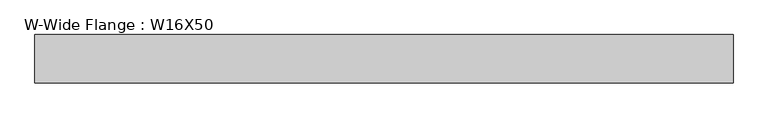
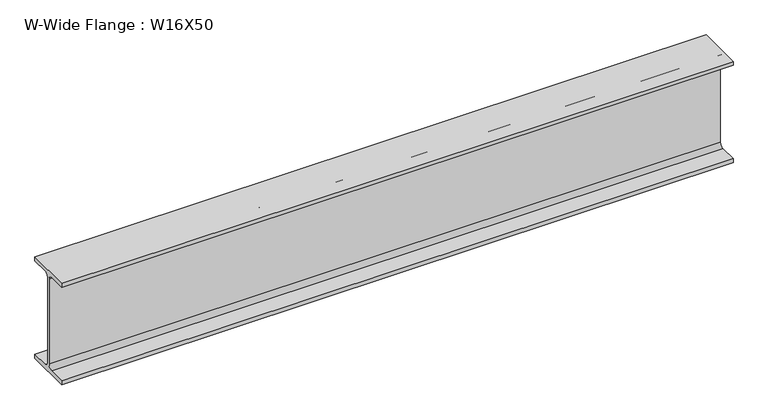
"""IFC4 building model written with IfcOpenShell, lengths in millimetres: beam geometry, W-Wide Flange : W16X50."""

from ifc_helpers import new_model, si_unit, point, frame, frame_2d, origin, place, context, project, spatial, polyline, circle_curve, trimmed, segment, composite_curve, outline, extrude, source, transform, mapped, element, save


def w_wide_flange_w16x50_7901a892(model_context):
    return source(origin(), model_context, "Body", "SweptSolid", [
        extrude(outline(composite_curve([segment(polyline([(89.8, -191.0), (89.8, -207.0), (-89.8, -207.0), (-89.8, -191.0), (-22.15, -191.0)]), True, "CONTINUOUS"), segment(trimmed(circle_curve(frame_2d((-22.15, -173.7)), 17.3), [point((-22.15, -191.0))], [point((-4.85, -173.7))], True, "CARTESIAN"), True, "CONTINUOUS"), segment(polyline([(-4.85, -173.7), (-4.85, 173.7)]), True, "CONTINUOUS"), segment(trimmed(circle_curve(frame_2d((-22.15, 173.7)), 17.3), [point((-4.85, 173.7))], [point((-22.15, 191.0))], True, "CARTESIAN"), True, "CONTINUOUS"), segment(polyline([(-22.15, 191.0), (-89.8, 191.0), (-89.8, 207.0), (89.8, 207.0), (89.8, 191.0), (22.15, 191.0)]), True, "CONTINUOUS"), segment(trimmed(circle_curve(frame_2d((22.15, 173.7)), 17.3), [point((22.15, 191.0))], [point((4.85, 173.7))], True, "CARTESIAN"), True, "CONTINUOUS"), segment(polyline([(4.85, 173.7), (4.85, -173.7)]), True, "CONTINUOUS"), segment(trimmed(circle_curve(frame_2d((22.15, -173.7)), 17.3), [point((4.85, -173.7))], [point((22.15, -191.0))], True, "CARTESIAN"), True, "CONTINUOUS"), segment(polyline([(22.15, -191.0), (89.8, -191.0)]), True, "CONTINUOUS")], self_intersect=False)), frame((-1323.7442396, 0.0, 0.0), z_axis=(1.0, 0.0, 0.0), x_axis=(0.0, 1.0, 0.0)), (0.0, 0.0, 1.0), 2594.2407203),
    ])


if __name__ == "__main__":
    model = new_model("IFC4")
    model_context = context("Model", 3, world=origin())
    ifc_project = project(units=[si_unit("LENGTHUNIT", "METRE", prefix="MILLI")], contexts=[model_context])
    site = spatial("IfcSite", under=ifc_project)
    building = spatial("IfcBuilding", under=site)
    placement = place(None, origin())
    w_wide_flange_w16x50_shape = w_wide_flange_w16x50_7901a892(model_context)
    element("IfcBeam", 1, ObjectType="W-Wide Flange : W16X50", at=placement, inside=building, context=model_context, shape_type="MappedRepresentation", body=[
        mapped(w_wide_flange_w16x50_shape, transform((0.0, 0.0, 0.0), x_axis=(1.0, 0.0, 0.0), y_axis=(0.0, 1.0, 0.0), z_axis=(0.0, 0.0, 1.0))),
    ])
    save(model, "model.ifc")
